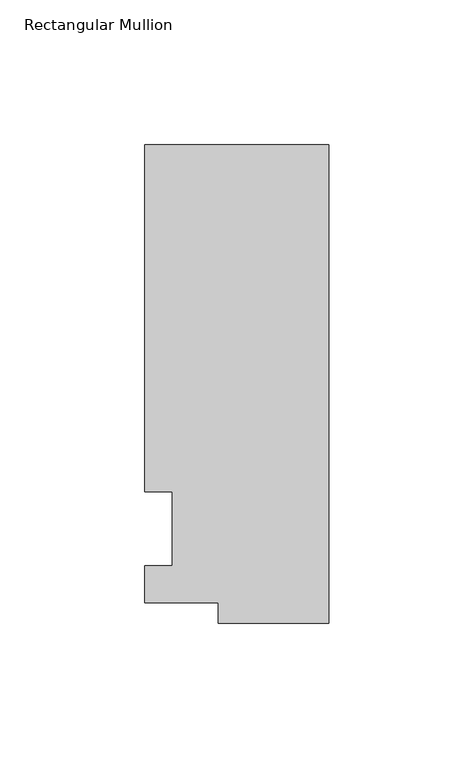
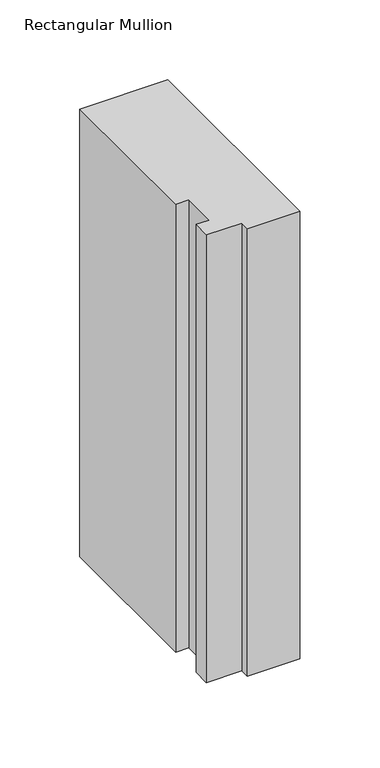
"""IFC4 building model written with IfcOpenShell, lengths in millimetres: member geometry, Rectangular Mullion."""

from ifc_helpers import new_model, si_unit, frame, origin, place, context, project, spatial, polyline, outline, extrude, source, transform, mapped, element, save


def rectangular_mullion_b66f626c(model_context):
    return source(origin(), model_context, "Body", "SweptSolid", [
        extrude(outline(polyline([(-38.1, -32.54375), (-38.1, -25.58415), (-63.5, -25.58415), (-63.5, -12.7), (-53.975, -12.7), (-53.975, 12.7), (-63.5, 12.7), (-63.5, 132.55625), (0.0, 132.55625), (0.0, -32.54375), (-38.1, -32.54375)])), frame((0.0, 0.0, -341.95385), z_axis=(0.0, 0.0, 1.0), x_axis=(1.0, 0.0, 0.0)), (0.0, 0.0, 1.0), 341.95385),
    ])


if __name__ == "__main__":
    model = new_model("IFC4")
    model_context = context("Model", 3, world=origin())
    ifc_project = project(units=[si_unit("LENGTHUNIT", "METRE", prefix="MILLI")], contexts=[model_context])
    site = spatial("IfcSite", under=ifc_project)
    building = spatial("IfcBuilding", under=site)
    placement = place(None, origin())
    rectangular_mullion_shape = rectangular_mullion_b66f626c(model_context)
    element("IfcMember", 1, ObjectType="Rectangular Mullion", at=placement, inside=building, context=model_context, shape_type="MappedRepresentation", body=[
        mapped(rectangular_mullion_shape, transform((0.0, 0.0, 0.0), x_axis=(1.0, 0.0, 0.0), y_axis=(0.0, 1.0, 0.0), z_axis=(0.0, 0.0, 1.0))),
    ])
    save(model, "model.ifc")
